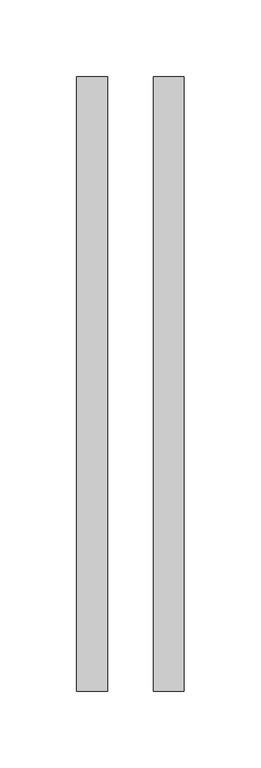
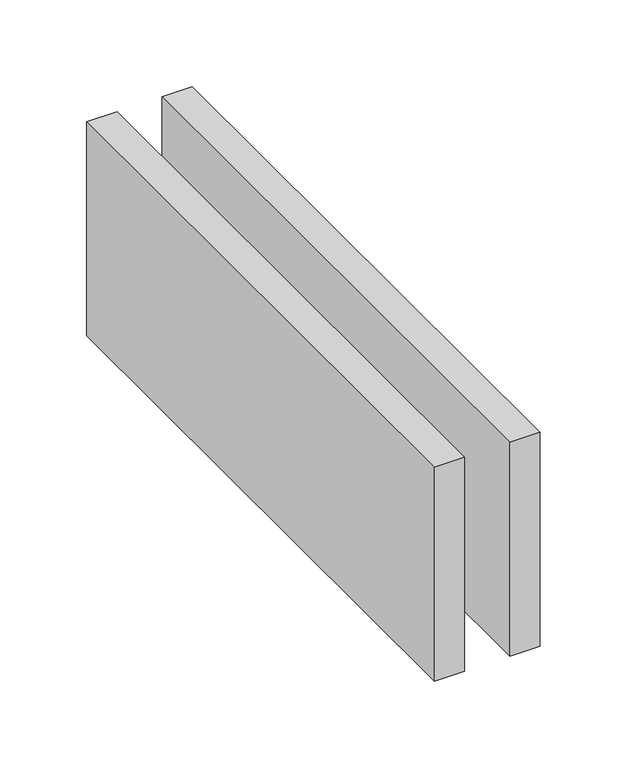
"""IFC4 building model written with IfcOpenShell, lengths in millimetres: proxy geometry."""

from ifc_helpers import new_model, si_unit, origin, origin_with_axes, place, context, project, spatial, polyline, outline, extrude, source, transform, mapped, element, save


def generic_models_09aed395(model_context):
    return source(origin(), model_context, "Body", "SweptSolid", [
        extrude(outline(polyline([(15.0, 400.0), (35.0, 400.0), (35.0, 0.0), (15.0, 0.0), (15.0, 400.0)])), origin_with_axes(), (0.0, 0.0, 1.0), 150.0),
        extrude(outline(polyline([(-35.0, 400.0), (-15.0, 400.0), (-15.0, 0.0), (-35.0, 0.0), (-35.0, 400.0)])), origin_with_axes(), (0.0, 0.0, 1.0), 150.0),
    ])


if __name__ == "__main__":
    model = new_model("IFC4")
    model_context = context("Model", 3, world=origin())
    ifc_project = project(units=[si_unit("LENGTHUNIT", "METRE", prefix="MILLI")], contexts=[model_context])
    site = spatial("IfcSite", under=ifc_project)
    building = spatial("IfcBuilding", under=site)
    placement = place(None, origin())
    generic_models_shape = generic_models_09aed395(model_context)
    element("IfcBuildingElementProxy", 1, Name="Generic Models", at=placement, inside=building, context=model_context, shape_type="MappedRepresentation", body=[
        mapped(generic_models_shape, transform((0.0, 0.0, 0.0), x_axis=(1.0, 0.0, 0.0), y_axis=(0.0, 1.0, 0.0), z_axis=(0.0, 0.0, 1.0))),
    ])
    save(model, "model.ifc")
